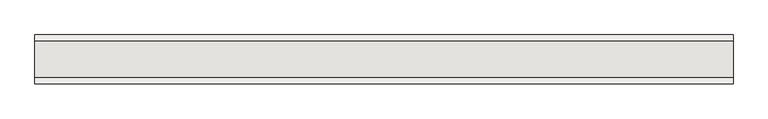
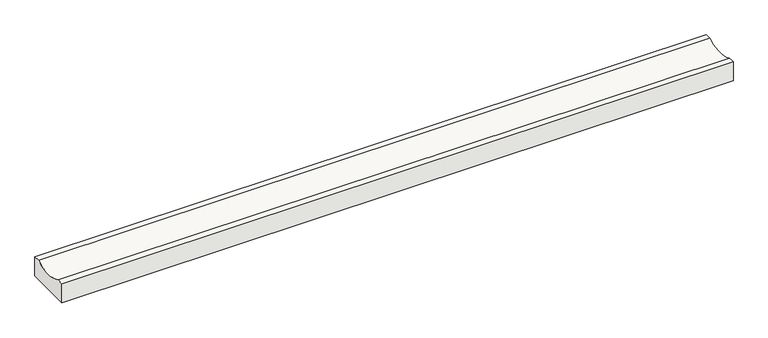
"""IFC4 building model written with IfcOpenShell, lengths in millimetres: slab geometry."""

from ifc_helpers import new_model, si_unit, point, frame, frame_2d, origin, place, context, project, spatial, polyline, circle_curve, trimmed, segment, composite_curve, outline, extrude, source, transform, mapped, element, save


def slab_1141b28e(model_context):
    return source(origin(), model_context, "Body", "SweptSolid", [
        extrude(outline(composite_curve([segment(polyline([(260.0, 4607.2099389), (300.0, 4607.2099389), (300.0, 4477.2099389), (0.0, 4477.2099389), (0.0, 4607.2099389), (40.0, 4607.2099389)]), True, "CONTINUOUS"), segment(trimmed(circle_curve(frame_2d((150.0, 4809.2000377)), 230.0), [point((40.0, 4607.2099389))], [point((260.0, 4607.2099389))], True, "CARTESIAN"), True, "CONTINUOUS")], self_intersect=False)), frame((0.0, 0.0, 0.0), z_axis=(1.0, 0.0, 0.0), x_axis=(0.0, 1.0, 0.0)), (0.0, 0.0, 1.0), 4300.0),
    ])


if __name__ == "__main__":
    model = new_model("IFC4")
    model_context = context("Model", 3, world=origin())
    ifc_project = project(units=[si_unit("LENGTHUNIT", "METRE", prefix="MILLI")], contexts=[model_context])
    site = spatial("IfcSite", under=ifc_project)
    building = spatial("IfcBuilding", under=site)
    placement = place(None, origin())
    slab_shape = slab_1141b28e(model_context)
    element("IfcSlab", 1, at=placement, inside=building, context=model_context, shape_type="MappedRepresentation", body=[
        mapped(slab_shape, transform((0.0, 0.0, 0.0), x_axis=(1.0, 0.0, 0.0), y_axis=(0.0, 1.0, 0.0), z_axis=(0.0, 0.0, 1.0))),
    ])
    save(model, "model.ifc")
